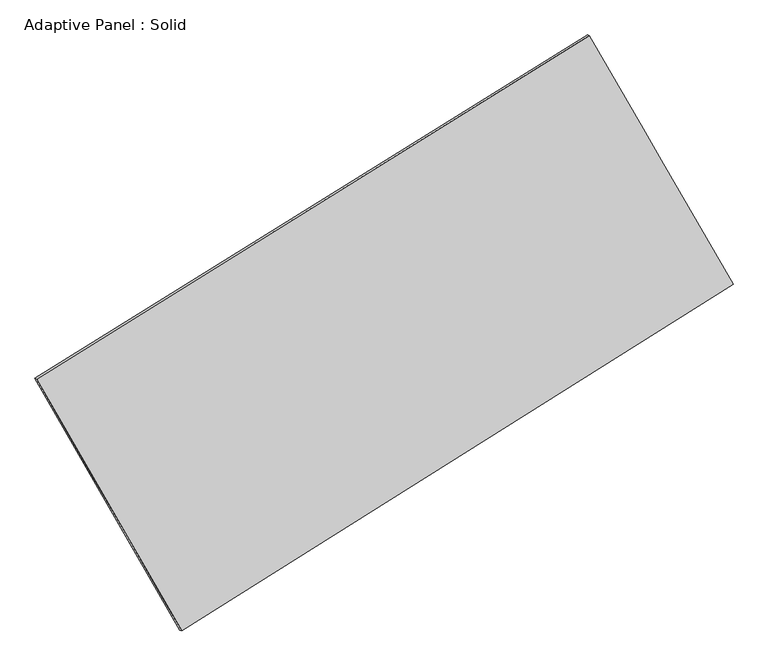
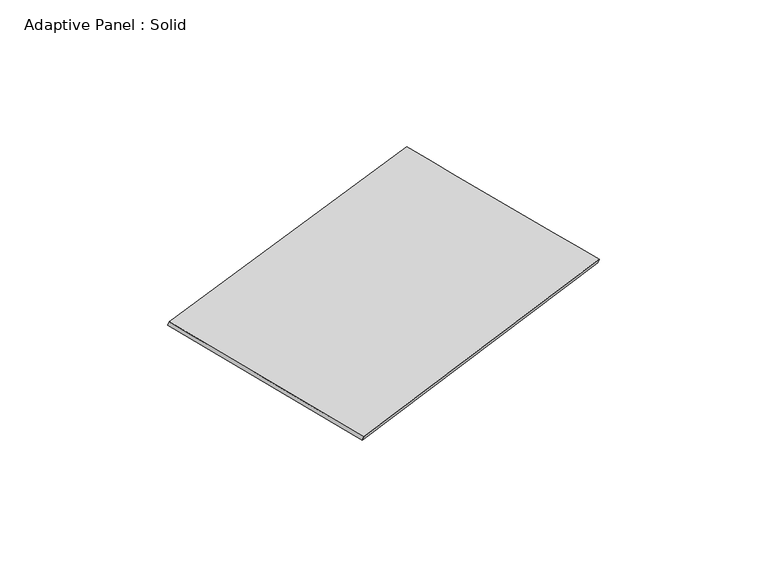
"""IFC4 building model written with IfcOpenShell, lengths in millimetres: plate geometry, Adaptive Panel : Solid."""

from ifc_helpers import new_model, si_unit, frame, origin, place, context, project, spatial, source, transform, mapped, element, save
from ifc_brep_helpers import plane_surface, spline_surface, advanced_brep


def adaptive_panel_solid_ebd58f38(model_context):
    return source(origin(), model_context, "Body", "AdvancedBrep", [
        advanced_brep(
        [(1162.0460107, 2534.9530934, 659.7890501), (-3745.0671224, -514.2440032, 1778.5087533), (-3730.4007666, -520.6240967, 1825.8816613), (1176.7123665, 2528.5729999, 707.1619581), (-2457.8186986, -2748.3269521, 1069.0008616), (-2443.1523428, -2754.7070456, 1116.3737696), (2437.5492322, 327.3692891, -22.1761447), (2452.215588, 320.9891956, 25.1967633)],
        [
            (0, 1),
            (1, 2),
            (2, 3),
            (3, 0),
            (1, 4),
            (4, 5),
            (5, 2),
            (4, 6),
            (6, 7),
            (7, 5),
            (6, 0),
            (3, 7),
        ],
        [
            plane_surface(frame((-1291.5105559, 1010.3545451, 1219.1489017), z_axis=(-0.4666799110006155, 0.8458373805629656, 0.2583969549178915), x_axis=(-0.8338861248846453, -0.5181627327237239, 0.19010868770561884))),
            plane_surface(frame((-3101.4429105, -1631.2854777, 1423.7548074), z_axis=(-0.8253755609687169, -0.5338875223357337, 0.18362814830463126), x_axis=(0.4813518958463699, -0.835409889058118, -0.26531240006642864))),
            plane_surface(frame((-10.1347332, -1210.4788315, 523.4123584), z_axis=(0.47163692455716244, -0.8427400830352101, -0.25951447713002285), x_axis=(0.8320547506324262, 0.5227692188152254, -0.18546491800157305))),
            plane_surface(frame((1799.7976215, 1431.1611912, 318.8064527), z_axis=(0.8254859881896772, 0.533696131520681, -0.1836881120333385), x_axis=(-0.48329041103659276, 0.8364573810390776, 0.25839781017905084))),
            spline_surface(1, 1, [[(-3730.4007666, -520.6240967, 1825.8816613), (1176.7123665, 2528.5729999, 707.1619581)], [(-2443.1523428, -2754.7070456, 1116.3737696), (2452.215588, 320.9891956, 25.1967633)]], [2, 2], [2, 2], [0.0, 1.0], [0.0, 1.0]),
            spline_surface(1, 1, [[(2437.5492322, 327.3692891, -22.1761447), (1162.0460107, 2534.9530934, 659.7890501)], [(-2457.8186986, -2748.3269521, 1069.0008616), (-3745.0671224, -514.2440032, 1778.5087533)]], [2, 2], [2, 2], [0.0, 1.0], [0.0, 1.0]),
        ],
        [
            (0, [[1, 2, 3, 4]]),
            (1, [[5, 6, 7, -2]]),
            (2, [[8, 9, 10, -6]]),
            (3, [[11, -4, 12, -9]]),
            (4, [[-3, -7, -10, -12]]),
            (5, [[-11, -8, -5, -1]]),
        ],
    ),
    ])


if __name__ == "__main__":
    model = new_model("IFC4")
    model_context = context("Model", 3, world=origin())
    ifc_project = project(units=[si_unit("LENGTHUNIT", "METRE", prefix="MILLI")], contexts=[model_context])
    site = spatial("IfcSite", under=ifc_project)
    building = spatial("IfcBuilding", under=site)
    placement = place(None, origin())
    adaptive_panel_solid_shape = adaptive_panel_solid_ebd58f38(model_context)
    element("IfcPlate", 1, ObjectType="Adaptive Panel : Solid", at=placement, inside=building, context=model_context, shape_type="MappedRepresentation", body=[
        mapped(adaptive_panel_solid_shape, transform((0.0, 0.0, 0.0), x_axis=(1.0, 0.0, 0.0), y_axis=(0.0, 1.0, 0.0), z_axis=(0.0, 0.0, 1.0))),
    ])
    save(model, "model.ifc")
